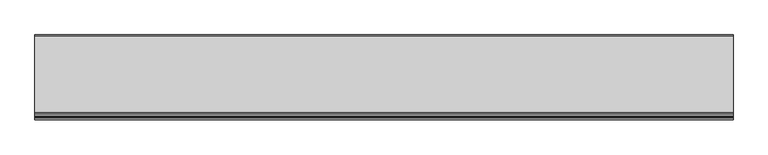
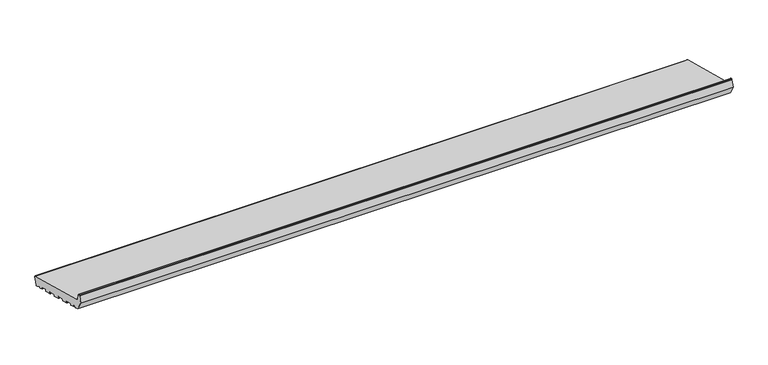
"""IFC4 building model written with IfcOpenShell, lengths in millimetres: proxy geometry."""

import ifcopenshell
import ifcopenshell.guid

model = None  # the IFC model being written
_history = None  # IfcOwnerHistory: only IFC2X3 demands one
_inside = {}  # id of a spatial element -> (the spatial element, [elements in it])
_under = {}  # id of a project, library or spatial element -> (it, [spatial elements below it])
_declared = {}  # id of a project -> (the project, [libraries it declares])
_typed = {}  # id of a type object -> (the type object, [elements of that type])
_made_of = {}  # id of a material, layer set ... -> (it, [elements and type objects made of it])


def new_model(schema):
    """Start an empty IFC model of exactly this schema.

    Asked for "IFC4X3", IfcOpenShell would pick the latest addendum, in which some entities
    have other attributes; the version numbers below select the first issue.
    IFC2X3 requires an IfcOwnerHistory on every rooted entity: one is made here for all.
    """
    global model, _history
    if schema == "IFC4X3":
        model = ifcopenshell.file(schema_version=(4, 3, 0, 0))
    else:
        model = ifcopenshell.file(schema=schema)
    _inside.clear()
    _under.clear()
    _declared.clear()
    _typed.clear()
    _made_of.clear()
    _history = None
    if model.schema == "IFC2X3":
        org = make("IfcOrganization", Name="unknown")
        user = make(
            "IfcPersonAndOrganization",
            ThePerson=make("IfcPerson", FamilyName="unknown"),
            TheOrganization=org,
        )
        app = make(
            "IfcApplication",
            ApplicationDeveloper=org,
            Version="unknown",
            ApplicationFullName="unknown",
            ApplicationIdentifier="unknown",
        )
        _history = make(
            "IfcOwnerHistory",
            OwningUser=user,
            OwningApplication=app,
            ChangeAction="ADDED",
            CreationDate=0,
        )
    return model


def make(cls, **values):
    """One entity of the class cls with the attributes given. An attribute that is None is left unset."""
    return model.create_entity(
        cls, **{name: value for name, value in values.items() if value is not None}
    )


def rooted(cls, **values):
    """An entity with a GlobalId (a new one), such as an element, a storey or a relation."""
    return make(cls, GlobalId=ifcopenshell.guid.new(), OwnerHistory=_history, **values)


def si_unit(unit_type, name, prefix=None):
    """IfcSIUnit, for example si_unit("LENGTHUNIT", "METRE", prefix="MILLI")."""
    return make("IfcSIUnit", UnitType=unit_type, Prefix=prefix, Name=name)


def assignment(units):
    """IfcUnitAssignment: the units of a project."""
    return None if units is None else make("IfcUnitAssignment", Units=units)


def point(xyz):
    """IfcCartesianPoint."""
    return None if xyz is None else make("IfcCartesianPoint", Coordinates=xyz)


def direction(xyz):
    """IfcDirection."""
    return None if xyz is None else make("IfcDirection", DirectionRatios=xyz)


def frame(location, z_axis=None, x_axis=None):
    """IfcAxis2Placement3D, a coordinate frame: its origin and axes. An axis left out is left unset."""
    return make(
        "IfcAxis2Placement3D",
        Location=point(location),
        Axis=direction(z_axis),
        RefDirection=direction(x_axis),
    )


def frame_2d(location, x_axis=None):
    """IfcAxis2Placement2D, a coordinate frame in the plane: its origin and x axis."""
    return make(
        "IfcAxis2Placement2D", Location=point(location), RefDirection=direction(x_axis)
    )


def origin():
    """The frame at (0, 0, 0) with its axes left unset."""
    return frame((0.0, 0.0, 0.0))


def place(relative_to, where):
    """IfcLocalPlacement: puts the frame where relative to a parent placement (None: the world)."""
    return make(
        "IfcLocalPlacement", PlacementRelTo=relative_to, RelativePlacement=where
    )


def context(
    kind, dimensions, precision=None, world=None, true_north=None, identifier=None
):
    """IfcGeometricRepresentationContext, for example the 3D "Model" context."""
    return make(
        "IfcGeometricRepresentationContext",
        ContextIdentifier=identifier,
        ContextType=kind,
        CoordinateSpaceDimension=dimensions,
        Precision=precision,
        WorldCoordinateSystem=world,
        TrueNorth=true_north,
    )


def project(units=None, contexts=None):
    """IfcProject with its units and contexts."""
    return rooted(
        "IfcProject",
        Name="project",
        RepresentationContexts=contexts,
        UnitsInContext=assignment(units),
    )


def spatial(cls, under=None, at=None, **own):
    """A site, building, storey or space (cls), placed at a placement, below another one or the project."""
    s = rooted(cls, ObjectPlacement=at, **own)
    if under is not None:
        _under.setdefault(under.id(), (under, []))[1].append(s)
    return s


def polyline(points):
    """IfcPolyline through the points."""
    return make("IfcPolyline", Points=[point(p) for p in points])


def circle_curve(where, radius):
    """IfcCircle in the frame where."""
    return make("IfcCircle", Position=where, Radius=radius)


def trimmed(basis, trim1, trim2, sense, master):
    """IfcTrimmedCurve: the piece of a basis curve between two trims."""
    return make(
        "IfcTrimmedCurve",
        BasisCurve=basis,
        Trim1=trim1,
        Trim2=trim2,
        SenseAgreement=sense,
        MasterRepresentation=master,
    )


def segment(curve, same_sense, transition):
    """IfcCompositeCurveSegment."""
    return make(
        "IfcCompositeCurveSegment",
        Transition=transition,
        SameSense=same_sense,
        ParentCurve=curve,
    )


def composite_curve(segments, self_intersect=None):
    """IfcCompositeCurve: segments joined end to end."""
    return make("IfcCompositeCurve", Segments=segments, SelfIntersect=self_intersect)


def outline(outer, holes=None, kind="AREA"):
    """IfcArbitraryClosedProfileDef: a profile drawn as a closed curve; with holes, ...WithVoids."""
    if holes is None:
        return make("IfcArbitraryClosedProfileDef", ProfileType=kind, OuterCurve=outer)
    return make(
        "IfcArbitraryProfileDefWithVoids",
        ProfileType=kind,
        OuterCurve=outer,
        InnerCurves=holes,
    )


def extrude(swept, where, along, depth):
    """IfcExtrudedAreaSolid: the profile swept, set in the frame where, extruded along a direction by depth."""
    return make(
        "IfcExtrudedAreaSolid",
        SweptArea=swept,
        Position=where,
        ExtrudedDirection=direction(along),
        Depth=depth,
    )


def shape(context_of_items, identifier, shape_type, items):
    """IfcShapeRepresentation: the items that make up one representation, for example the "Body"."""
    return make(
        "IfcShapeRepresentation",
        ContextOfItems=context_of_items,
        RepresentationIdentifier=identifier,
        RepresentationType=shape_type,
        Items=items,
    )


def source(mapping_origin, context_of_items, identifier, shape_type, items):
    """IfcRepresentationMap: a shape defined once, which mapped items show again and again."""
    return make(
        "IfcRepresentationMap",
        MappingOrigin=mapping_origin,
        MappedRepresentation=shape(context_of_items, identifier, shape_type, items),
    )


def transform(
    local_origin,
    x_axis=None,
    y_axis=None,
    z_axis=None,
    scale=None,
    scale2=None,
    scale3=None,
    uniform=True,
):
    """IfcCartesianTransformationOperator3D, or its non-uniform kind. x_axis, y_axis, z_axis: its Axis1, 2, 3."""
    if uniform:
        return make(
            "IfcCartesianTransformationOperator3D",
            Axis1=direction(x_axis),
            Axis2=direction(y_axis),
            LocalOrigin=point(local_origin),
            Scale=scale,
            Axis3=direction(z_axis),
        )
    return make(
        "IfcCartesianTransformationOperator3DnonUniform",
        Axis1=direction(x_axis),
        Axis2=direction(y_axis),
        LocalOrigin=point(local_origin),
        Scale=scale,
        Axis3=direction(z_axis),
        Scale2=scale2,
        Scale3=scale3,
    )


def mapped(mapping_source, mapping_target):
    """IfcMappedItem: shows the shape of a source again, moved by a transform."""
    return make(
        "IfcMappedItem", MappingSource=mapping_source, MappingTarget=mapping_target
    )


def made_of(thing, what):
    """Note that an element or type object is made of a material, layer set ...; save() writes the relation."""
    if what is not None:
        _made_of.setdefault(what.id(), (what, []))[1].append(thing)
    return thing


def element(
    cls,
    number,
    at=None,
    inside=None,
    cuts=None,
    type_object=None,
    material=None,
    context=None,
    identifier="Body",
    shape_type=None,
    held_by="IfcProductDefinitionShape",
    body=None,
    shapes=None,
    **own,
):
    """One element of the class cls, such as IfcWall. Its Tag is "e" and its number.

    at: its placement. inside: the storey or other place that contains it. cuts: it is an
    opening in that element (IfcRelVoidsElement). A single representation is given by context,
    identifier, shape_type and body (its items); several are given by shapes. held_by: the class
    of the entity that holds the representations. save() writes the other relations.
    """
    e = rooted(cls, Tag="e%d" % number, ObjectPlacement=at, **own)
    if body is not None:
        shapes = [shape(context, identifier, shape_type, body)]
    if shapes is not None:
        e.Representation = make(held_by, Representations=shapes)
    if inside is not None:
        _inside.setdefault(inside.id(), (inside, []))[1].append(e)
    if cuts is not None:
        rooted(
            "IfcRelVoidsElement", RelatingBuildingElement=cuts, RelatedOpeningElement=e
        )
    if type_object is not None:
        _typed.setdefault(type_object.id(), (type_object, []))[1].append(e)
    return made_of(e, material)


def aggregate(whole, parts):
    """IfcRelAggregates: a whole, such as a stair, and the parts it consists of."""
    return rooted("IfcRelAggregates", RelatingObject=whole, RelatedObjects=parts)


def save(model, path):
    """Write the relations noted so far, then the file.

    IfcRelAggregates (storeys below a building ...), IfcRelContainedInSpatialStructure (elements
    in a storey), IfcRelDefinesByType, IfcRelAssociatesMaterial and IfcRelDeclares: one each for
    every whole, place, type object, material and project.
    """
    for whole, parts in _under.values():
        aggregate(whole, parts)
    for where, things in _inside.values():
        rooted(
            "IfcRelContainedInSpatialStructure",
            RelatedElements=things,
            RelatingStructure=where,
        )
    for kind, things in _typed.values():
        rooted("IfcRelDefinesByType", RelatedObjects=things, RelatingType=kind)
    for what, things in _made_of.values():
        rooted("IfcRelAssociatesMaterial", RelatedObjects=things, RelatingMaterial=what)
    for by, libraries in _declared.values():
        rooted("IfcRelDeclares", RelatingContext=by, RelatedDefinitions=libraries)
    model.write(path)


def generic_models_e3fb8db8(model_context):
    return source(origin(), model_context, "Body", "SweptSolid", [
        extrude(outline(composite_curve([segment(polyline([(24.3497968, 5.5107678), (21.6330192, 6.2387261), (7.4647895, 14.8261724)]), True, "CONTINUOUS"), segment(trimmed(circle_curve(frame_2d((6.9464595, 13.9709917)), 1.0), [point((7.4647895, 14.8261724))], [point((5.9805337, 14.2298107))], True, "CARTESIAN"), True, "CONTINUOUS"), segment(polyline([(5.9805337, 14.2298107), (5.0312803, 10.6871487)]), True, "CONTINUOUS"), segment(trimmed(circle_curve(frame_2d((4.0653544, 10.9459677)), 1.0), [point((5.0312803, 10.6871487))], [point((3.8065354, 9.9800419))], False, "CARTESIAN"), True, "CONTINUOUS"), segment(polyline([(3.8065354, 9.9800419), (-4.886797, 12.3094133)]), True, "CONTINUOUS"), segment(trimmed(circle_curve(frame_2d((-4.627978, 13.2753391)), 1.0), [point((-4.886797, 12.3094133))], [point((-5.5939038, 13.5341582))], False, "CARTESIAN"), True, "CONTINUOUS"), segment(polyline([(-5.5939038, 13.5341582), (-4.5586276, 17.3978615)]), True, "CONTINUOUS"), segment(trimmed(circle_curve(frame_2d((-5.5245535, 17.6566805)), 1.0), [point((-4.5586276, 17.3978615))], [point((-5.2657344, 18.6226064))], True, "CARTESIAN"), True, "CONTINUOUS"), segment(polyline([(-5.2657344, 18.6226064), (-28.4479542, 24.8342634)]), True, "CONTINUOUS"), segment(trimmed(circle_curve(frame_2d((-28.7067733, 23.8683376)), 1.0), [point((-28.4479542, 24.8342634))], [point((-29.6726991, 24.1271567))], True, "CARTESIAN"), True, "CONTINUOUS"), segment(polyline([(-29.6726991, 24.1271567), (-30.7079753, 20.2634534)]), True, "CONTINUOUS"), segment(trimmed(circle_curve(frame_2d((-31.6739011, 20.5222724)), 1.0), [point((-30.7079753, 20.2634534))], [point((-31.9327202, 19.5563466))], False, "CARTESIAN"), True, "CONTINUOUS"), segment(polyline([(-31.9327202, 19.5563466), (-54.1490142, 25.5091846)]), True, "CONTINUOUS"), segment(trimmed(circle_curve(frame_2d((-53.8901951, 26.4751104)), 1.0), [point((-54.1490142, 25.5091846))], [point((-54.856121, 26.7339295))], False, "CARTESIAN"), True, "CONTINUOUS"), segment(polyline([(-54.856121, 26.7339295), (-53.8208448, 30.5976328)]), True, "CONTINUOUS"), segment(trimmed(circle_curve(frame_2d((-54.7867706, 30.8564518)), 1.0), [point((-53.8208448, 30.5976328))], [point((-54.5279516, 31.8223777))], True, "CARTESIAN"), True, "CONTINUOUS"), segment(polyline([(-54.5279516, 31.8223777), (-77.7101714, 38.0340347)]), True, "CONTINUOUS"), segment(trimmed(circle_curve(frame_2d((-77.9689904, 37.0681089)), 1.0), [point((-77.7101714, 38.0340347))], [point((-78.9349163, 37.326928))], True, "CARTESIAN"), True, "CONTINUOUS"), segment(polyline([(-78.9349163, 37.326928), (-79.9701924, 33.4632247)]), True, "CONTINUOUS"), segment(trimmed(circle_curve(frame_2d((-80.9361183, 33.7220437)), 1.0), [point((-79.9701924, 33.4632247))], [point((-81.1949373, 32.7561179))], False, "CARTESIAN"), True, "CONTINUOUS"), segment(polyline([(-81.1949373, 32.7561179), (-103.4112313, 38.7089559)]), True, "CONTINUOUS"), segment(trimmed(circle_curve(frame_2d((-103.1524123, 39.6748817)), 1.0), [point((-103.4112313, 38.7089559))], [point((-104.1183381, 39.9337008))], False, "CARTESIAN"), True, "CONTINUOUS"), segment(polyline([(-104.1183381, 39.9337008), (-103.0830619, 43.7974041)]), True, "CONTINUOUS"), segment(trimmed(circle_curve(frame_2d((-104.0489877, 44.0562231)), 1.0), [point((-103.0830619, 43.7974041))], [point((-103.7901687, 45.022149))], True, "CARTESIAN"), True, "CONTINUOUS"), segment(polyline([(-103.7901687, 45.022149), (-126.9723885, 51.233806)]), True, "CONTINUOUS"), segment(trimmed(circle_curve(frame_2d((-127.2312076, 50.2678802)), 1.0), [point((-126.9723885, 51.233806))], [point((-128.1971334, 50.5266993))], True, "CARTESIAN"), True, "CONTINUOUS"), segment(polyline([(-128.1971334, 50.5266993), (-129.2324096, 46.662996)]), True, "CONTINUOUS"), segment(trimmed(circle_curve(frame_2d((-130.1983354, 46.921815)), 1.0), [point((-129.2324096, 46.662996))], [point((-130.4571545, 45.9558892))], False, "CARTESIAN"), True, "CONTINUOUS"), segment(polyline([(-130.4571545, 45.9558892), (-152.6734485, 51.9087272)]), True, "CONTINUOUS"), segment(trimmed(circle_curve(frame_2d((-152.4146294, 52.874653)), 1.0), [point((-152.6734485, 51.9087272))], [point((-153.3805552, 53.1334721))], False, "CARTESIAN"), True, "CONTINUOUS"), segment(polyline([(-153.3805552, 53.1334721), (-152.3452791, 56.9971754)]), True, "CONTINUOUS"), segment(trimmed(circle_curve(frame_2d((-153.3112049, 57.2559944)), 1.0), [point((-152.3452791, 56.9971754))], [point((-153.0523858, 58.2219203))], True, "CARTESIAN"), True, "CONTINUOUS"), segment(polyline([(-153.0523858, 58.2219203), (-176.2346057, 64.4335773)]), True, "CONTINUOUS"), segment(trimmed(circle_curve(frame_2d((-176.4934247, 63.4676515)), 1.0), [point((-176.2346057, 64.4335773))], [point((-177.4593505, 63.7264706))], True, "CARTESIAN"), True, "CONTINUOUS"), segment(polyline([(-177.4593505, 63.7264706), (-178.4946267, 59.8627673)]), True, "CONTINUOUS"), segment(trimmed(circle_curve(frame_2d((-179.4605525, 60.1215863)), 1.0), [point((-178.4946267, 59.8627673))], [point((-179.7193716, 59.1556605))], False, "CARTESIAN"), True, "CONTINUOUS"), segment(polyline([(-179.7193716, 59.1556605), (-192.2764073, 62.5203081)]), True, "CONTINUOUS"), segment(trimmed(circle_curve(frame_2d((-192.0175883, 63.4862339)), 1.0), [point((-192.2764073, 62.5203081))], [point((-192.9835141, 63.7450529))], False, "CARTESIAN"), True, "CONTINUOUS"), segment(polyline([(-192.9835141, 63.7450529), (-191.9482379, 67.6087562)]), True, "CONTINUOUS"), segment(trimmed(circle_curve(frame_2d((-192.9141638, 67.8675753)), 1.0), [point((-191.9482379, 67.6087562))], [point((-192.6553447, 68.8335011))], True, "CARTESIAN"), True, "CONTINUOUS"), segment(polyline([(-192.6553447, 68.8335011), (-202.314603, 71.4216916)]), True, "CONTINUOUS"), segment(trimmed(circle_curve(frame_2d((-202.573422, 70.4557657)), 1.0), [point((-202.314603, 71.4216916))], [point((-203.5393479, 70.7145848))], True, "CARTESIAN"), True, "CONTINUOUS"), segment(polyline([(-203.5393479, 70.7145848), (-204.574624, 66.8508815)]), True, "CONTINUOUS"), segment(trimmed(circle_curve(frame_2d((-205.5405499, 67.1097005)), 1.0), [point((-204.574624, 66.8508815))], [point((-205.7993689, 66.1437747))], False, "CARTESIAN"), True, "CONTINUOUS"), segment(polyline([(-205.7993689, 66.1437747), (-219.3223305, 69.7672413), (-237.0, 100.3858631), (-230.4291321, 124.908676)]), True, "CONTINUOUS"), segment(trimmed(circle_curve(frame_2d((-228.9802434, 124.5204474)), 1.5), [point((-230.4291321, 124.908676))], [point((-228.9802434, 126.0204474))], False, "CARTESIAN"), True, "CONTINUOUS"), segment(polyline([(-228.9802434, 126.0204474), (-225.6368689, 126.0204474)]), True, "CONTINUOUS"), segment(trimmed(circle_curve(frame_2d((-225.6368689, 124.5204474)), 1.5), [point((-225.6368689, 126.0204474))], [point((-224.1879801, 124.908676))], False, "CARTESIAN"), True, "CONTINUOUS"), segment(polyline([(-224.1879801, 124.908676), (-219.4052841, 107.0594112)]), True, "CONTINUOUS"), segment(trimmed(circle_curve(frame_2d((-213.6097291, 108.6123254)), 6.0), [point((-219.4052841, 107.0594112))], [point((-215.1626434, 102.8167705))], True, "CARTESIAN"), True, "CONTINUOUS"), segment(polyline([(-215.1626434, 102.8167705), (32.6320062, 36.4203942)]), True, "CONTINUOUS"), segment(trimmed(circle_curve(frame_2d((31.8555491, 33.5226168)), 3.0), [point((32.6320062, 36.4203942))], [point((34.7533266, 32.7461596))], False, "CARTESIAN"), True, "CONTINUOUS"), segment(polyline([(34.7533266, 32.7461596), (28.0240314, 7.6320881)]), True, "CONTINUOUS"), segment(trimmed(circle_curve(frame_2d((25.1262539, 8.4085453)), 3.0), [point((28.0240314, 7.6320881))], [point((24.3497968, 5.5107678))], False, "CARTESIAN"), True, "CONTINUOUS")], self_intersect=False)), frame((0.0, 0.0, 0.0), z_axis=(1.0, 0.0, 0.0), x_axis=(0.0, 1.0, 0.0)), (0.0, 0.0, 1.0), 2240.0),
    ])


if __name__ == "__main__":
    model = new_model("IFC4")
    model_context = context("Model", 3, world=origin())
    ifc_project = project(units=[si_unit("LENGTHUNIT", "METRE", prefix="MILLI")], contexts=[model_context])
    site = spatial("IfcSite", under=ifc_project)
    building = spatial("IfcBuilding", under=site)
    placement = place(None, origin())
    generic_models_shape = generic_models_e3fb8db8(model_context)
    element("IfcBuildingElementProxy", 1, Name="Generic Models", at=placement, inside=building, context=model_context, shape_type="MappedRepresentation", body=[
        mapped(generic_models_shape, transform((0.0, 0.0, 0.0), x_axis=(1.0, 0.0, 0.0), y_axis=(0.0, 1.0, 0.0), z_axis=(0.0, 0.0, 1.0))),
    ])
    save(model, "model.ifc")
